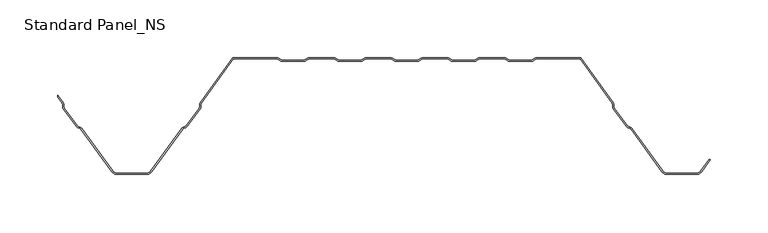
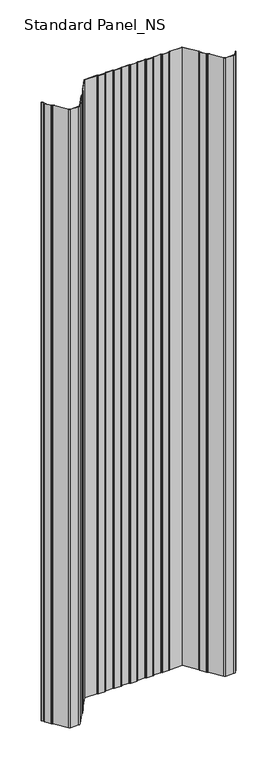
"""IFC4 building model written with IfcOpenShell, lengths in millimetres: proxy geometry, Standard Panel_NS."""

from ifc_helpers import new_model, si_unit, point, frame_2d, origin, origin_with_axes, place, context, project, spatial, polyline, circle_curve, trimmed, segment, composite_curve, outline, extrude, source, transform, mapped, element, save


def standard_panel_ns_d4dbe4c2(model_context):
    return source(origin(), model_context, "Body", "SweptSolid", [
        extrude(outline(composite_curve([segment(trimmed(circle_curve(frame_2d((-267.5943585, -40.4146398)), 2.7486049), [point((-265.3690593, -38.8012978))], [point((-264.8478766, -40.3066321))], False, "CARTESIAN"), True, "CONTINUOUS"), segment(polyline([(-264.8478766, -40.3066321), (-264.7597012, -42.5488047)]), True, "CONTINUOUS"), segment(trimmed(circle_curve(frame_2d((-263.0124469, -42.4800924)), 1.7486049), [point((-264.7597012, -42.5488047))], [point((-264.4281357, -43.5064668))], True, "CARTESIAN"), True, "CONTINUOUS"), segment(polyline([(-264.4281357, -43.5064668), (-253.3103066, -58.8414035)]), True, "CONTINUOUS"), segment(trimmed(circle_curve(frame_2d((-251.8946178, -57.8150291)), 1.7486049), [point((-253.3103066, -58.8414035))], [point((-252.503212, -59.4543071))], True, "CARTESIAN"), True, "CONTINUOUS"), segment(polyline([(-252.503212, -59.4543071), (-250.3996006, -60.2352885)]), True, "CONTINUOUS"), segment(trimmed(circle_curve(frame_2d((-251.3562404, -62.8120441)), 2.7486049), [point((-250.3996006, -60.2352885))], [point((-249.1309412, -61.1987022))], False, "CARTESIAN"), True, "CONTINUOUS"), segment(polyline([(-249.1309412, -61.1987022), (-222.4972428, -97.9348379)]), True, "CONTINUOUS"), segment(trimmed(circle_curve(frame_2d((-218.4491906, -95.0)), 5.0), [point((-222.4972428, -97.9348379))], [point((-218.4491906, -100.0))], True, "CARTESIAN"), True, "CONTINUOUS"), segment(polyline([(-218.4491906, -100.0), (-193.5508099, -100.0)]), True, "CONTINUOUS"), segment(trimmed(circle_curve(frame_2d((-193.5508099, -95.0)), 5.0), [point((-193.5508099, -100.0))], [point((-189.5027577, -97.9348379))], True, "CARTESIAN"), True, "CONTINUOUS"), segment(polyline([(-189.5027577, -97.9348379), (-162.8690593, -61.1987022)]), True, "CONTINUOUS"), segment(trimmed(circle_curve(frame_2d((-160.6437601, -62.8120441)), 2.7486049), [point((-162.8690593, -61.1987022))], [point((-161.6003999, -60.2352885))], False, "CARTESIAN"), True, "CONTINUOUS"), segment(polyline([(-161.6003999, -60.2352885), (-159.4967885, -59.4543071)]), True, "CONTINUOUS"), segment(trimmed(circle_curve(frame_2d((-160.1053827, -57.8150291)), 1.7486049), [point((-159.4967885, -59.4543071))], [point((-158.6896939, -58.8414035))], True, "CARTESIAN"), True, "CONTINUOUS"), segment(polyline([(-158.6896939, -58.8414035), (-147.5718648, -43.5064668)]), True, "CONTINUOUS"), segment(trimmed(circle_curve(frame_2d((-148.9875536, -42.4800924)), 1.7486049), [point((-147.5718648, -43.5064668))], [point((-147.2402992, -42.5488047))], True, "CARTESIAN"), True, "CONTINUOUS"), segment(polyline([(-147.2402992, -42.5488047), (-147.1521239, -40.3066321)]), True, "CONTINUOUS"), segment(trimmed(circle_curve(frame_2d((-144.4056419, -40.4146398)), 2.7486049), [point((-147.1521239, -40.3066321))], [point((-146.6309412, -38.8012978))], False, "CARTESIAN"), True, "CONTINUOUS"), segment(polyline([(-146.6309412, -38.8012978), (-118.5000002, 0.0), (-80.1655442, 0.0)]), True, "CONTINUOUS"), segment(trimmed(circle_curve(frame_2d((-80.1655442, -2.7486049)), 2.7486049), [point((-80.1655442, 0.0))], [point((-78.6408925, -0.4616274))], False, "CARTESIAN"), True, "CONTINUOUS"), segment(polyline([(-78.6408925, -0.4616274), (-76.7738501, -1.7063223)]), True, "CONTINUOUS"), segment(trimmed(circle_curve(frame_2d((-75.8038986, -0.2513951)), 1.7486049), [point((-76.7738501, -1.7063223))], [point((-75.8038986, -2.0))], True, "CARTESIAN"), True, "CONTINUOUS"), segment(polyline([(-75.8038986, -2.0), (-56.8627685, -2.0)]), True, "CONTINUOUS"), segment(trimmed(circle_curve(frame_2d((-56.8627685, -0.2513951)), 1.7486049), [point((-56.8627685, -2.0))], [point((-55.892817, -1.7063223))], True, "CARTESIAN"), True, "CONTINUOUS"), segment(polyline([(-55.892817, -1.7063223), (-54.0257746, -0.4616274)]), True, "CONTINUOUS"), segment(trimmed(circle_curve(frame_2d((-52.501123, -2.7486049)), 2.7486049), [point((-54.0257746, -0.4616274))], [point((-52.501123, 0.0))], False, "CARTESIAN"), True, "CONTINUOUS"), segment(polyline([(-52.501123, 0.0), (-30.9988775, 0.0)]), True, "CONTINUOUS"), segment(trimmed(circle_curve(frame_2d((-30.9988775, -2.7486049)), 2.7486049), [point((-30.9988775, 0.0))], [point((-29.4742258, -0.4616274))], False, "CARTESIAN"), True, "CONTINUOUS"), segment(polyline([(-29.4742258, -0.4616274), (-27.6071834, -1.7063223)]), True, "CONTINUOUS"), segment(trimmed(circle_curve(frame_2d((-26.6372319, -0.2513951)), 1.7486049), [point((-27.6071834, -1.7063223))], [point((-26.6372319, -2.0))], True, "CARTESIAN"), True, "CONTINUOUS"), segment(polyline([(-26.6372319, -2.0), (-7.6961019, -2.0)]), True, "CONTINUOUS"), segment(trimmed(circle_curve(frame_2d((-7.6961019, -0.2513951)), 1.7486049), [point((-7.6961019, -2.0))], [point((-6.7261504, -1.7063223))], True, "CARTESIAN"), True, "CONTINUOUS"), segment(polyline([(-6.7261504, -1.7063223), (-4.859108, -0.4616274)]), True, "CONTINUOUS"), segment(trimmed(circle_curve(frame_2d((-3.3344563, -2.7486049)), 2.7486049), [point((-4.859108, -0.4616274))], [point((-3.3344563, 0.0))], False, "CARTESIAN"), True, "CONTINUOUS"), segment(polyline([(-3.3344563, 0.0), (18.1677892, 0.0)]), True, "CONTINUOUS"), segment(trimmed(circle_curve(frame_2d((18.1677892, -2.7486049)), 2.7486049), [point((18.1677892, 0.0))], [point((19.6924408, -0.4616274))], False, "CARTESIAN"), True, "CONTINUOUS"), segment(polyline([(19.6924408, -0.4616274), (21.5594833, -1.7063223)]), True, "CONTINUOUS"), segment(trimmed(circle_curve(frame_2d((22.5294347, -0.2513951)), 1.7486049), [point((21.5594833, -1.7063223))], [point((22.5294347, -2.0))], True, "CARTESIAN"), True, "CONTINUOUS"), segment(polyline([(22.5294347, -2.0), (41.4705648, -2.0)]), True, "CONTINUOUS"), segment(trimmed(circle_curve(frame_2d((41.4705648, -0.2513951)), 1.7486049), [point((41.4705648, -2.0))], [point((42.4405163, -1.7063223))], True, "CARTESIAN"), True, "CONTINUOUS"), segment(polyline([(42.4405163, -1.7063223), (44.3075587, -0.4616274)]), True, "CONTINUOUS"), segment(trimmed(circle_curve(frame_2d((45.8322104, -2.7486049)), 2.7486049), [point((44.3075587, -0.4616274))], [point((45.8322104, 0.0))], False, "CARTESIAN"), True, "CONTINUOUS"), segment(polyline([(45.8322104, 0.0), (67.3344558, 0.0)]), True, "CONTINUOUS"), segment(trimmed(circle_curve(frame_2d((67.3344558, -2.7486049)), 2.7486049), [point((67.3344558, 0.0))], [point((68.8591075, -0.4616274))], False, "CARTESIAN"), True, "CONTINUOUS"), segment(polyline([(68.8591075, -0.4616274), (70.7261499, -1.7063223)]), True, "CONTINUOUS"), segment(trimmed(circle_curve(frame_2d((71.6961014, -0.2513951)), 1.7486049), [point((70.7261499, -1.7063223))], [point((71.6961014, -2.0))], True, "CARTESIAN"), True, "CONTINUOUS"), segment(polyline([(71.6961014, -2.0), (90.6372315, -2.0)]), True, "CONTINUOUS"), segment(trimmed(circle_curve(frame_2d((90.6372315, -0.2513951)), 1.7486049), [point((90.6372315, -2.0))], [point((91.607183, -1.7063223))], True, "CARTESIAN"), True, "CONTINUOUS"), segment(polyline([(91.607183, -1.7063223), (93.4742254, -0.4616274)]), True, "CONTINUOUS"), segment(trimmed(circle_curve(frame_2d((94.998877, -2.7486049)), 2.7486049), [point((93.4742254, -0.4616274))], [point((94.998877, 0.0))], False, "CARTESIAN"), True, "CONTINUOUS"), segment(polyline([(94.998877, 0.0), (116.5011225, 0.0)]), True, "CONTINUOUS"), segment(trimmed(circle_curve(frame_2d((116.5011225, -2.7486049)), 2.7486049), [point((116.5011225, 0.0))], [point((118.0257742, -0.4616274))], False, "CARTESIAN"), True, "CONTINUOUS"), segment(polyline([(118.0257742, -0.4616274), (119.8928166, -1.7063223)]), True, "CONTINUOUS"), segment(trimmed(circle_curve(frame_2d((120.8627681, -0.2513951)), 1.7486049), [point((119.8928166, -1.7063223))], [point((120.8627681, -2.0))], True, "CARTESIAN"), True, "CONTINUOUS"), segment(polyline([(120.8627681, -2.0), (139.8038981, -2.0)]), True, "CONTINUOUS"), segment(trimmed(circle_curve(frame_2d((139.8038981, -0.2513951)), 1.7486049), [point((139.8038981, -2.0))], [point((140.7738496, -1.7063223))], True, "CARTESIAN"), True, "CONTINUOUS"), segment(polyline([(140.7738496, -1.7063223), (142.640892, -0.4616274)]), True, "CONTINUOUS"), segment(trimmed(circle_curve(frame_2d((144.1655437, -2.7486049)), 2.7486049), [point((142.640892, -0.4616274))], [point((144.1655437, 0.0))], False, "CARTESIAN"), True, "CONTINUOUS"), segment(polyline([(144.1655437, 0.0), (182.4999998, 0.0), (210.6309407, -38.8012978)]), True, "CONTINUOUS"), segment(trimmed(circle_curve(frame_2d((208.4056415, -40.4146398)), 2.7486049), [point((210.6309407, -38.8012978))], [point((211.1521234, -40.3066321))], False, "CARTESIAN"), True, "CONTINUOUS"), segment(polyline([(211.1521234, -40.3066321), (211.2402988, -42.5488047)]), True, "CONTINUOUS"), segment(trimmed(circle_curve(frame_2d((212.9875531, -42.4800924)), 1.7486049), [point((211.2402988, -42.5488047))], [point((211.5718643, -43.5064668))], True, "CARTESIAN"), True, "CONTINUOUS"), segment(polyline([(211.5718643, -43.5064668), (222.6896934, -58.8414035)]), True, "CONTINUOUS"), segment(trimmed(circle_curve(frame_2d((224.1053822, -57.8150291)), 1.7486049), [point((222.6896934, -58.8414035))], [point((223.496788, -59.4543071))], True, "CARTESIAN"), True, "CONTINUOUS"), segment(polyline([(223.496788, -59.4543071), (225.6003994, -60.2352885)]), True, "CONTINUOUS"), segment(trimmed(circle_curve(frame_2d((224.6437596, -62.8120441)), 2.7486049), [point((225.6003994, -60.2352885))], [point((226.8690588, -61.1987022))], False, "CARTESIAN"), True, "CONTINUOUS"), segment(polyline([(226.8690588, -61.1987022), (253.5027572, -97.9348379)]), True, "CONTINUOUS"), segment(trimmed(circle_curve(frame_2d((257.5508094, -95.0)), 5.0), [point((253.5027572, -97.9348379))], [point((257.5508094, -100.0))], True, "CARTESIAN"), True, "CONTINUOUS"), segment(polyline([(257.5508094, -100.0), (282.4491901, -100.0)]), True, "CONTINUOUS"), segment(trimmed(circle_curve(frame_2d((282.4491901, -95.0)), 5.0), [point((282.4491901, -100.0))], [point((286.4972423, -97.9348379))], True, "CARTESIAN"), True, "CONTINUOUS"), segment(polyline([(286.4972423, -97.9348379), (293.8045133, -87.8558433), (294.6141238, -88.4428109), (287.3068528, -98.5218054)]), True, "CONTINUOUS"), segment(trimmed(circle_curve(frame_2d((282.4491901, -95.0)), 6.0), [point((287.3068528, -98.5218054))], [point((282.4491901, -101.0))], False, "CARTESIAN"), True, "CONTINUOUS"), segment(polyline([(282.4491901, -101.0), (257.5508094, -101.0)]), True, "CONTINUOUS"), segment(trimmed(circle_curve(frame_2d((257.5508094, -95.0)), 6.0), [point((257.5508094, -101.0))], [point((252.6931468, -98.5218054))], False, "CARTESIAN"), True, "CONTINUOUS"), segment(polyline([(252.6931468, -98.5218054), (226.0594484, -61.7856697)]), True, "CONTINUOUS"), segment(trimmed(circle_curve(frame_2d((224.6437596, -62.8120441)), 1.7486049), [point((226.0594484, -61.7856697))], [point((225.2523538, -61.1727662))], True, "CARTESIAN"), True, "CONTINUOUS"), segment(polyline([(225.2523538, -61.1727662), (223.1487424, -60.3917847)]), True, "CONTINUOUS"), segment(trimmed(circle_curve(frame_2d((224.1053822, -57.8150291)), 2.7486049), [point((223.1487424, -60.3917847))], [point((221.880083, -59.4283711))], False, "CARTESIAN"), True, "CONTINUOUS"), segment(polyline([(221.880083, -59.4283711), (210.7622539, -44.0934344)]), True, "CONTINUOUS"), segment(trimmed(circle_curve(frame_2d((212.9875531, -42.4800924)), 2.7486049), [point((210.7622539, -44.0934344))], [point((210.2410711, -42.5881001))], False, "CARTESIAN"), True, "CONTINUOUS"), segment(polyline([(210.2410711, -42.5881001), (210.1528958, -40.3459275)]), True, "CONTINUOUS"), segment(trimmed(circle_curve(frame_2d((208.4056415, -40.4146398)), 1.7486049), [point((210.1528958, -40.3459275))], [point((209.8213303, -39.3882654))], True, "CARTESIAN"), True, "CONTINUOUS"), segment(polyline([(209.8213303, -39.3882654), (181.9898378, -1.0), (144.1655437, -1.0)]), True, "CONTINUOUS"), segment(trimmed(circle_curve(frame_2d((144.1655437, -2.7486049)), 1.7486049), [point((144.1655437, -1.0))], [point((143.1955922, -1.2936777))], True, "CARTESIAN"), True, "CONTINUOUS"), segment(polyline([(143.1955922, -1.2936777), (141.3285498, -2.5383726)]), True, "CONTINUOUS"), segment(trimmed(circle_curve(frame_2d((139.8038981, -0.2513951)), 2.7486049), [point((141.3285498, -2.5383726))], [point((139.8038981, -3.0))], False, "CARTESIAN"), True, "CONTINUOUS"), segment(polyline([(139.8038981, -3.0), (120.8627681, -3.0)]), True, "CONTINUOUS"), segment(trimmed(circle_curve(frame_2d((120.8627681, -0.2513951)), 2.7486049), [point((120.8627681, -3.0))], [point((119.3381164, -2.5383726))], False, "CARTESIAN"), True, "CONTINUOUS"), segment(polyline([(119.3381164, -2.5383726), (117.471074, -1.2936777)]), True, "CONTINUOUS"), segment(trimmed(circle_curve(frame_2d((116.5011225, -2.7486049)), 1.7486049), [point((117.471074, -1.2936777))], [point((116.5011225, -1.0))], True, "CARTESIAN"), True, "CONTINUOUS"), segment(polyline([(116.5011225, -1.0), (94.998877, -1.0)]), True, "CONTINUOUS"), segment(trimmed(circle_curve(frame_2d((94.998877, -2.7486049)), 1.7486049), [point((94.998877, -1.0))], [point((94.0289256, -1.2936777))], True, "CARTESIAN"), True, "CONTINUOUS"), segment(polyline([(94.0289256, -1.2936777), (92.1618831, -2.5383726)]), True, "CONTINUOUS"), segment(trimmed(circle_curve(frame_2d((90.6372315, -0.2513951)), 2.7486049), [point((92.1618831, -2.5383726))], [point((90.6372315, -3.0))], False, "CARTESIAN"), True, "CONTINUOUS"), segment(polyline([(90.6372315, -3.0), (71.6961014, -3.0)]), True, "CONTINUOUS"), segment(trimmed(circle_curve(frame_2d((71.6961014, -0.2513951)), 2.7486049), [point((71.6961014, -3.0))], [point((70.1714497, -2.5383726))], False, "CARTESIAN"), True, "CONTINUOUS"), segment(polyline([(70.1714497, -2.5383726), (68.3044073, -1.2936777)]), True, "CONTINUOUS"), segment(trimmed(circle_curve(frame_2d((67.3344558, -2.7486049)), 1.7486049), [point((68.3044073, -1.2936777))], [point((67.3344558, -1.0))], True, "CARTESIAN"), True, "CONTINUOUS"), segment(polyline([(67.3344558, -1.0), (45.8322104, -1.0)]), True, "CONTINUOUS"), segment(trimmed(circle_curve(frame_2d((45.8322104, -2.7486049)), 1.7486049), [point((45.8322104, -1.0))], [point((44.8622589, -1.2936777))], True, "CARTESIAN"), True, "CONTINUOUS"), segment(polyline([(44.8622589, -1.2936777), (42.9952165, -2.5383726)]), True, "CONTINUOUS"), segment(trimmed(circle_curve(frame_2d((41.4705648, -0.2513951)), 2.7486049), [point((42.9952165, -2.5383726))], [point((41.4705648, -3.0))], False, "CARTESIAN"), True, "CONTINUOUS"), segment(polyline([(41.4705648, -3.0), (22.5294347, -3.0)]), True, "CONTINUOUS"), segment(trimmed(circle_curve(frame_2d((22.5294347, -0.2513951)), 2.7486049), [point((22.5294347, -3.0))], [point((21.0047831, -2.5383726))], False, "CARTESIAN"), True, "CONTINUOUS"), segment(polyline([(21.0047831, -2.5383726), (19.1377406, -1.2936777)]), True, "CONTINUOUS"), segment(trimmed(circle_curve(frame_2d((18.1677892, -2.7486049)), 1.7486049), [point((19.1377406, -1.2936777))], [point((18.1677892, -1.0))], True, "CARTESIAN"), True, "CONTINUOUS"), segment(polyline([(18.1677892, -1.0), (-3.3344563, -1.0)]), True, "CONTINUOUS"), segment(trimmed(circle_curve(frame_2d((-3.3344563, -2.7486049)), 1.7486049), [point((-3.3344563, -1.0))], [point((-4.3044078, -1.2936777))], True, "CARTESIAN"), True, "CONTINUOUS"), segment(polyline([(-4.3044078, -1.2936777), (-6.1714502, -2.5383726)]), True, "CONTINUOUS"), segment(trimmed(circle_curve(frame_2d((-7.6961019, -0.2513951)), 2.7486049), [point((-6.1714502, -2.5383726))], [point((-7.6961019, -3.0))], False, "CARTESIAN"), True, "CONTINUOUS"), segment(polyline([(-7.6961019, -3.0), (-26.6372319, -3.0)]), True, "CONTINUOUS"), segment(trimmed(circle_curve(frame_2d((-26.6372319, -0.2513951)), 2.7486049), [point((-26.6372319, -3.0))], [point((-28.1618836, -2.5383726))], False, "CARTESIAN"), True, "CONTINUOUS"), segment(polyline([(-28.1618836, -2.5383726), (-30.028926, -1.2936777)]), True, "CONTINUOUS"), segment(trimmed(circle_curve(frame_2d((-30.9988775, -2.7486049)), 1.7486049), [point((-30.028926, -1.2936777))], [point((-30.9988775, -1.0))], True, "CARTESIAN"), True, "CONTINUOUS"), segment(polyline([(-30.9988775, -1.0), (-52.501123, -1.0)]), True, "CONTINUOUS"), segment(trimmed(circle_curve(frame_2d((-52.501123, -2.7486049)), 1.7486049), [point((-52.501123, -1.0))], [point((-53.4710744, -1.2936777))], True, "CARTESIAN"), True, "CONTINUOUS"), segment(polyline([(-53.4710744, -1.2936777), (-55.3381169, -2.5383726)]), True, "CONTINUOUS"), segment(trimmed(circle_curve(frame_2d((-56.8627685, -0.2513951)), 2.7486049), [point((-55.3381169, -2.5383726))], [point((-56.8627685, -3.0))], False, "CARTESIAN"), True, "CONTINUOUS"), segment(polyline([(-56.8627685, -3.0), (-75.8038986, -3.0)]), True, "CONTINUOUS"), segment(trimmed(circle_curve(frame_2d((-75.8038986, -0.2513951)), 2.7486049), [point((-75.8038986, -3.0))], [point((-77.3285503, -2.5383726))], False, "CARTESIAN"), True, "CONTINUOUS"), segment(polyline([(-77.3285503, -2.5383726), (-79.1955927, -1.2936777)]), True, "CONTINUOUS"), segment(trimmed(circle_curve(frame_2d((-80.1655442, -2.7486049)), 1.7486049), [point((-79.1955927, -1.2936777))], [point((-80.1655442, -1.0))], True, "CARTESIAN"), True, "CONTINUOUS"), segment(polyline([(-80.1655442, -1.0), (-117.9898383, -1.0), (-145.8213307, -39.3882654)]), True, "CONTINUOUS"), segment(trimmed(circle_curve(frame_2d((-144.4056419, -40.4146398)), 1.7486049), [point((-145.8213307, -39.3882654))], [point((-146.1528963, -40.3459275))], True, "CARTESIAN"), True, "CONTINUOUS"), segment(polyline([(-146.1528963, -40.3459275), (-146.2410716, -42.5881001)]), True, "CONTINUOUS"), segment(trimmed(circle_curve(frame_2d((-148.9875536, -42.4800924)), 2.7486049), [point((-146.2410716, -42.5881001))], [point((-146.7622543, -44.0934344))], False, "CARTESIAN"), True, "CONTINUOUS"), segment(polyline([(-146.7622543, -44.0934344), (-157.8800835, -59.4283711)]), True, "CONTINUOUS"), segment(trimmed(circle_curve(frame_2d((-160.1053827, -57.8150291)), 2.7486049), [point((-157.8800835, -59.4283711))], [point((-159.1487429, -60.3917847))], False, "CARTESIAN"), True, "CONTINUOUS"), segment(polyline([(-159.1487429, -60.3917847), (-161.2523543, -61.1727662)]), True, "CONTINUOUS"), segment(trimmed(circle_curve(frame_2d((-160.6437601, -62.8120441)), 1.7486049), [point((-161.2523543, -61.1727662))], [point((-162.0594488, -61.7856697))], True, "CARTESIAN"), True, "CONTINUOUS"), segment(polyline([(-162.0594488, -61.7856697), (-188.6931472, -98.5218054)]), True, "CONTINUOUS"), segment(trimmed(circle_curve(frame_2d((-193.5508099, -95.0)), 6.0), [point((-188.6931472, -98.5218054))], [point((-193.5508099, -101.0))], False, "CARTESIAN"), True, "CONTINUOUS"), segment(polyline([(-193.5508099, -101.0), (-218.4491906, -101.0)]), True, "CONTINUOUS"), segment(trimmed(circle_curve(frame_2d((-218.4491906, -95.0)), 6.0), [point((-218.4491906, -101.0))], [point((-223.3068532, -98.5218054))], False, "CARTESIAN"), True, "CONTINUOUS"), segment(polyline([(-223.3068532, -98.5218054), (-249.9405516, -61.7856697)]), True, "CONTINUOUS"), segment(trimmed(circle_curve(frame_2d((-251.3562404, -62.8120441)), 1.7486049), [point((-249.9405516, -61.7856697))], [point((-250.7476462, -61.1727662))], True, "CARTESIAN"), True, "CONTINUOUS"), segment(polyline([(-250.7476462, -61.1727662), (-252.8512576, -60.3917847)]), True, "CONTINUOUS"), segment(trimmed(circle_curve(frame_2d((-251.8946178, -57.8150291)), 2.7486049), [point((-252.8512576, -60.3917847))], [point((-254.119917, -59.4283711))], False, "CARTESIAN"), True, "CONTINUOUS"), segment(polyline([(-254.119917, -59.4283711), (-265.2377461, -44.0934344)]), True, "CONTINUOUS"), segment(trimmed(circle_curve(frame_2d((-263.0124469, -42.4800924)), 2.7486049), [point((-265.2377461, -44.0934344))], [point((-265.7589289, -42.5881001))], False, "CARTESIAN"), True, "CONTINUOUS"), segment(polyline([(-265.7589289, -42.5881001), (-265.8471042, -40.3459275)]), True, "CONTINUOUS"), segment(trimmed(circle_curve(frame_2d((-267.5943585, -40.4146398)), 1.7486049), [point((-265.8471042, -40.3459275))], [point((-266.1786697, -39.3882654))], True, "CARTESIAN"), True, "CONTINUOUS"), segment(polyline([(-266.1786697, -39.3882654), (-269.9999998, -34.1174654), (-269.9999998, -32.4137937), (-265.3690593, -38.8012978)]), True, "CONTINUOUS")], self_intersect=False)), origin_with_axes(), (0.0, 0.0, 1.0), 2000.0),
    ])


if __name__ == "__main__":
    model = new_model("IFC4")
    model_context = context("Model", 3, world=origin())
    ifc_project = project(units=[si_unit("LENGTHUNIT", "METRE", prefix="MILLI")], contexts=[model_context])
    site = spatial("IfcSite", under=ifc_project)
    building = spatial("IfcBuilding", under=site)
    placement = place(None, origin())
    standard_panel_ns_shape = standard_panel_ns_d4dbe4c2(model_context)
    element("IfcBuildingElementProxy", 1, Name="Standard Panel_NS", ObjectType="Standard Panel_NS", at=placement, inside=building, context=model_context, shape_type="MappedRepresentation", body=[
        mapped(standard_panel_ns_shape, transform((0.0, 0.0, 0.0), x_axis=(1.0, 0.0, 0.0), y_axis=(0.0, 1.0, 0.0), z_axis=(0.0, 0.0, 1.0))),
    ])
    save(model, "model.ifc")
